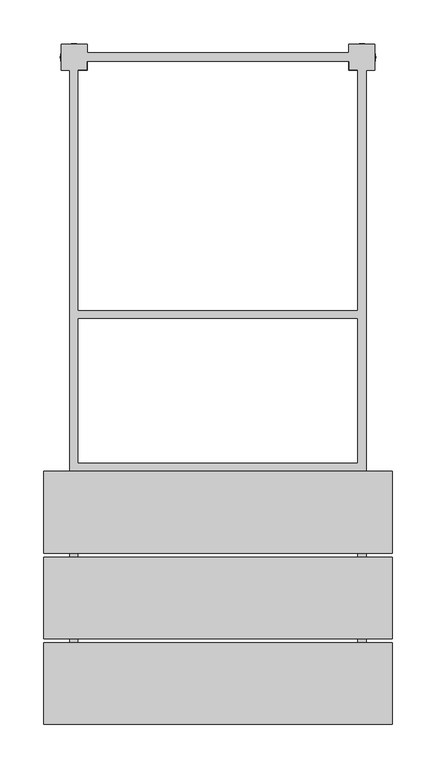
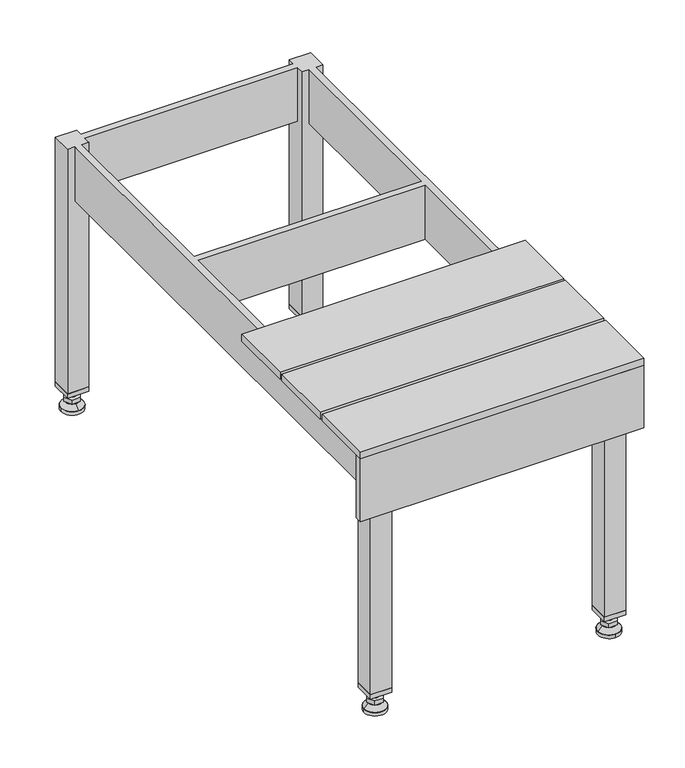
"""IFC4 building model written with IfcOpenShell, lengths in millimetres: furniture geometry."""

from ifc_helpers import new_model, si_unit, point, frame, frame_2d, origin, origin_with_axes, place, context, project, spatial, polyline, circle_curve, trimmed, segment, composite_curve, outline, extrude, faceted_brep, source, transform, mapped, element, save
from ifc_brep_helpers import plane_surface, revolved_surface, advanced_brep


def furniture_49262eaa(model_context):
    return source(origin(), model_context, "Body", "SolidModel", [
        extrude(outline(polyline([(180.0, 385.0), (180.0, 355.0), (150.0, 355.0), (150.0, 385.0), (180.0, 385.0)]), holes=[polyline([(178.0, 383.0), (152.0, 383.0), (152.0, 357.0), (178.0, 357.0), (178.0, 383.0)])]), frame((0.0, 0.0, 28.5), z_axis=(0.0, 0.0, 1.0), x_axis=(1.0, 0.0, 0.0)), (0.0, 0.0, 1.0), 6.5),
        extrude(outline(polyline([(150.0, -385.0), (150.0, -355.0), (180.0, -355.0), (180.0, -385.0), (150.0, -385.0)]), holes=[polyline([(152.0, -383.0), (178.0, -383.0), (178.0, -357.0), (152.0, -357.0), (152.0, -383.0)])]), frame((0.0, 0.0, 28.5), z_axis=(0.0, 0.0, 1.0), x_axis=(1.0, 0.0, 0.0)), (0.0, 0.0, 1.0), 6.5),
        extrude(outline(polyline([(-150.0, 385.0), (-150.0, 355.0), (-180.0, 355.0), (-180.0, 385.0), (-150.0, 385.0)]), holes=[polyline([(-152.0, 383.0), (-178.0, 383.0), (-178.0, 357.0), (-152.0, 357.0), (-152.0, 383.0)])]), frame((0.0, 0.0, 28.5), z_axis=(0.0, 0.0, 1.0), x_axis=(1.0, 0.0, 0.0)), (0.0, 0.0, 1.0), 6.5),
        extrude(outline(polyline([(-150.0, -355.0), (-150.0, -385.0), (-180.0, -385.0), (-180.0, -355.0), (-150.0, -355.0)]), holes=[polyline([(-178.0, -383.0), (-152.0, -383.0), (-152.0, -357.0), (-178.0, -357.0), (-178.0, -383.0)])]), frame((0.0, 0.0, 28.5), z_axis=(0.0, 0.0, 1.0), x_axis=(1.0, 0.0, 0.0)), (0.0, 0.0, 1.0), 6.5),
        extrude(outline(polyline([(-200.0, -198.6666667), (-200.0, -105.0), (200.0, -105.0), (200.0, -198.6666667), (-200.0, -198.6666667)])), frame((0.0, 0.0, 400.0), z_axis=(0.0, 0.0, 1.0), x_axis=(1.0, 0.0, 0.0)), (0.0, 0.0, 1.0), 10.0),
        extrude(outline(polyline([(-200.0, -296.8333333), (-200.0, -203.1666667), (200.0, -203.1666667), (200.0, -296.8333333), (-200.0, -296.8333333)])), frame((0.0, 0.0, 400.0), z_axis=(0.0, 0.0, 1.0), x_axis=(1.0, 0.0, 0.0)), (0.0, 0.0, 1.0), 10.0),
        extrude(outline(polyline([(-200.0, -395.0), (-200.0, -301.3333333), (200.0, -301.3333333), (200.0, -395.0), (-200.0, -395.0)])), frame((0.0, 0.0, 400.0), z_axis=(0.0, 0.0, 1.0), x_axis=(1.0, 0.0, 0.0)), (0.0, 0.0, 1.0), 10.0),
        extrude(outline(composite_curve([segment(trimmed(circle_curve(frame_2d((-165.0, 370.0)), 5.0), [point((-160.0, 370.0))], [point((-170.0, 370.0))], False, "CARTESIAN"), True, "CONTINUOUS"), segment(trimmed(circle_curve(frame_2d((-165.0, 370.0)), 5.0), [point((-170.0, 370.0))], [point((-160.0, 370.0))], False, "CARTESIAN"), True, "CONTINUOUS")], self_intersect=False)), frame((0.0, 0.0, 19.6), z_axis=(0.0, 0.0, 1.0), x_axis=(1.0, 0.0, 0.0)), (0.0, 0.0, 1.0), 15.4),
        extrude(outline(composite_curve([segment(trimmed(circle_curve(frame_2d((-165.0, -370.0)), 5.0), [point((-160.0, -370.0))], [point((-170.0, -370.0))], False, "CARTESIAN"), True, "CONTINUOUS"), segment(trimmed(circle_curve(frame_2d((-165.0, -370.0)), 5.0), [point((-170.0, -370.0))], [point((-160.0, -370.0))], False, "CARTESIAN"), True, "CONTINUOUS")], self_intersect=False)), frame((0.0, 0.0, 19.6), z_axis=(0.0, 0.0, 1.0), x_axis=(1.0, 0.0, 0.0)), (0.0, 0.0, 1.0), 15.4),
        extrude(outline(composite_curve([segment(trimmed(circle_curve(frame_2d((165.0, 370.0)), 5.0), [point((170.0, 370.0))], [point((160.0, 370.0))], False, "CARTESIAN"), True, "CONTINUOUS"), segment(trimmed(circle_curve(frame_2d((165.0, 370.0)), 5.0), [point((160.0, 370.0))], [point((170.0, 370.0))], False, "CARTESIAN"), True, "CONTINUOUS")], self_intersect=False)), frame((0.0, 0.0, 19.6), z_axis=(0.0, 0.0, 1.0), x_axis=(1.0, 0.0, 0.0)), (0.0, 0.0, 1.0), 15.4),
        extrude(outline(polyline([(153.4529946, 370.0), (159.2264973, 380.0), (170.7735027, 380.0), (176.5470054, 370.0), (170.7735027, 360.0), (159.2264973, 360.0), (153.4529946, 370.0)])), frame((0.0, 0.0, 13.6), z_axis=(0.0, 0.0, 1.0), x_axis=(1.0, 0.0, 0.0)), (0.0, 0.0, 1.0), 6.0),
        extrude(outline(composite_curve([segment(trimmed(circle_curve(frame_2d((165.0, -370.0)), 5.0), [point((170.0, -370.0))], [point((160.0, -370.0))], False, "CARTESIAN"), True, "CONTINUOUS"), segment(trimmed(circle_curve(frame_2d((165.0, -370.0)), 5.0), [point((160.0, -370.0))], [point((170.0, -370.0))], False, "CARTESIAN"), True, "CONTINUOUS")], self_intersect=False)), frame((0.0, 0.0, 19.6), z_axis=(0.0, 0.0, 1.0), x_axis=(1.0, 0.0, 0.0)), (0.0, 0.0, 1.0), 15.4),
        extrude(outline(polyline([(153.4529946, -370.0), (159.2264973, -360.0), (170.7735027, -360.0), (176.5470054, -370.0), (170.7735027, -380.0), (159.2264973, -380.0), (153.4529946, -370.0)])), frame((0.0, 0.0, 13.6), z_axis=(0.0, 0.0, 1.0), x_axis=(1.0, 0.0, 0.0)), (0.0, 0.0, 1.0), 6.0),
        extrude(outline(composite_curve([segment(trimmed(circle_curve(frame_2d((165.0, 370.0)), 5.0), [point((170.0, 370.0))], [point((160.0, 370.0))], False, "CARTESIAN"), True, "CONTINUOUS"), segment(trimmed(circle_curve(frame_2d((165.0, 370.0)), 5.0), [point((160.0, 370.0))], [point((170.0, 370.0))], False, "CARTESIAN"), True, "CONTINUOUS")], self_intersect=False)), frame((0.0, 0.0, 12.1), z_axis=(0.0, 0.0, 1.0), x_axis=(1.0, 0.0, 0.0)), (0.0, 0.0, 1.0), 1.5),
        extrude(outline(composite_curve([segment(trimmed(circle_curve(frame_2d((165.0, -370.0)), 5.0), [point((170.0, -370.0))], [point((160.0, -370.0))], False, "CARTESIAN"), True, "CONTINUOUS"), segment(trimmed(circle_curve(frame_2d((165.0, -370.0)), 5.0), [point((160.0, -370.0))], [point((170.0, -370.0))], False, "CARTESIAN"), True, "CONTINUOUS")], self_intersect=False)), frame((0.0, 0.0, 12.1), z_axis=(0.0, 0.0, 1.0), x_axis=(1.0, 0.0, 0.0)), (0.0, 0.0, 1.0), 1.5),
        extrude(outline(polyline([(-176.5470054, 370.0), (-170.7735027, 380.0), (-159.2264973, 380.0), (-153.4529946, 370.0), (-159.2264973, 360.0), (-170.7735027, 360.0), (-176.5470054, 370.0)])), frame((0.0, 0.0, 13.6), z_axis=(0.0, 0.0, 1.0), x_axis=(1.0, 0.0, 0.0)), (0.0, 0.0, 1.0), 6.0),
        extrude(outline(polyline([(-176.5470054, -370.0), (-170.7735027, -360.0), (-159.2264973, -360.0), (-153.4529946, -370.0), (-159.2264973, -380.0), (-170.7735027, -380.0), (-176.5470054, -370.0)])), frame((0.0, 0.0, 13.6), z_axis=(0.0, 0.0, 1.0), x_axis=(1.0, 0.0, 0.0)), (0.0, 0.0, 1.0), 6.0),
        extrude(outline(composite_curve([segment(trimmed(circle_curve(frame_2d((-165.0, 370.0)), 5.0), [point((-165.0, 375.0))], [point((-165.0, 365.0))], False, "CARTESIAN"), True, "CONTINUOUS"), segment(trimmed(circle_curve(frame_2d((-165.0, 370.0)), 5.0), [point((-165.0, 365.0))], [point((-165.0, 375.0))], False, "CARTESIAN"), True, "CONTINUOUS")], self_intersect=False)), frame((0.0, 0.0, 12.1), z_axis=(0.0, 0.0, 1.0), x_axis=(1.0, 0.0, 0.0)), (0.0, 0.0, 1.0), 1.5),
        extrude(outline(composite_curve([segment(trimmed(circle_curve(frame_2d((-165.0, -370.0)), 5.0), [point((-160.0, -370.0))], [point((-170.0, -370.0))], False, "CARTESIAN"), True, "CONTINUOUS"), segment(trimmed(circle_curve(frame_2d((-165.0, -370.0)), 5.0), [point((-170.0, -370.0))], [point((-160.0, -370.0))], False, "CARTESIAN"), True, "CONTINUOUS")], self_intersect=False)), frame((0.0, 0.0, 12.1), z_axis=(0.0, 0.0, 1.0), x_axis=(1.0, 0.0, 0.0)), (0.0, 0.0, 1.0), 1.5),
        extrude(outline(polyline([(-200.0, -395.0), (-200.0, -385.0), (200.0, -385.0), (200.0, -395.0), (-200.0, -395.0)])), frame((0.0, 0.0, 306.3333333), z_axis=(0.0, 0.0, 1.0), x_axis=(1.0, 0.0, 0.0)), (0.0, 0.0, 1.0), 93.6666667),
        extrude(outline(composite_curve([segment(trimmed(circle_curve(frame_2d((165.0, 370.0)), 15.75), [point((180.75, 370.0))], [point((149.25, 370.0))], False, "CARTESIAN"), True, "CONTINUOUS"), segment(trimmed(circle_curve(frame_2d((165.0, 370.0)), 15.75), [point((149.25, 370.0))], [point((180.75, 370.0))], False, "CARTESIAN"), True, "CONTINUOUS")], self_intersect=False)), origin_with_axes(), (0.0, 0.0, 1.0), 5.1),
        extrude(outline(composite_curve([segment(trimmed(circle_curve(frame_2d((165.0, -370.0)), 15.75), [point((165.0, -354.25))], [point((165.0, -385.75))], False, "CARTESIAN"), True, "CONTINUOUS"), segment(trimmed(circle_curve(frame_2d((165.0, -370.0)), 15.75), [point((165.0, -385.75))], [point((165.0, -354.25))], False, "CARTESIAN"), True, "CONTINUOUS")], self_intersect=False)), origin_with_axes(), (0.0, 0.0, 1.0), 5.1),
        extrude(outline(composite_curve([segment(trimmed(circle_curve(frame_2d((-165.0, -370.0)), 15.75), [point((-149.25, -370.0))], [point((-180.75, -370.0))], False, "CARTESIAN"), True, "CONTINUOUS"), segment(trimmed(circle_curve(frame_2d((-165.0, -370.0)), 15.75), [point((-180.75, -370.0))], [point((-149.25, -370.0))], False, "CARTESIAN"), True, "CONTINUOUS")], self_intersect=False)), origin_with_axes(), (0.0, 0.0, 1.0), 5.1),
        extrude(outline(composite_curve([segment(trimmed(circle_curve(frame_2d((-165.0, 370.0)), 15.75), [point((-149.25, 370.0))], [point((-180.75, 370.0))], False, "CARTESIAN"), True, "CONTINUOUS"), segment(trimmed(circle_curve(frame_2d((-165.0, 370.0)), 15.75), [point((-180.75, 370.0))], [point((-149.25, 370.0))], False, "CARTESIAN"), True, "CONTINUOUS")], self_intersect=False)), origin_with_axes(), (0.0, 0.0, 1.0), 5.1),
        advanced_brep(
        [(-165.0, 385.75, 5.1), (-165.0, 354.25, 5.1), (-165.0, 379.5, 12.1), (-165.0, 360.5, 12.1)],
        [
            (0, 1, circle_curve(frame((-165.0, 370.0, 5.1), z_axis=(0.0, 0.0, -1.0), x_axis=(0.0, 1.0, 0.0)), 15.75)),
            (1, 0, circle_curve(frame((-165.0, 370.0, 5.1), z_axis=(0.0, 0.0, -1.0), x_axis=(0.0, -1.0, 0.0)), 15.75)),
            (2, 3, circle_curve(frame((-165.0, 370.0, 12.1), z_axis=(0.0, 0.0, 1.0), x_axis=(0.0, -1.0, 0.0)), 9.5)),
            (3, 2, circle_curve(frame((-165.0, 370.0, 12.1), z_axis=(0.0, 0.0, 1.0), x_axis=(0.0, 1.0, 0.0)), 9.5)),
            (3, 1),
            (0, 2),
        ],
        [
            plane_surface(frame((-165.0, 370.0, 5.1), z_axis=(0.0, 0.0, -1.0), x_axis=(1.0, 0.0, 0.0))),
            plane_surface(frame((-165.0, 370.0, 12.1), z_axis=(0.0, 0.0, 1.0), x_axis=(1.0, 0.0, 0.0))),
            revolved_surface(polyline([(-165.0, 360.5, 12.099999999999998), (-165.0, 354.25, 5.099999999999998)]), (-165.0, 370.0, 22.74), (0.0, 0.0, -1.0)),
            revolved_surface(polyline([(-165.0, 379.5, 12.099999999999998), (-165.0, 385.75, 5.099999999999998)]), (-165.0, 370.0, 22.74), (0.0, 0.0, -1.0)),
        ],
        [
            (0, [[1, 2]]),
            (1, [[3, 4]]),
            (2, [[-4, 5, -1, 6]]),
            (3, [[-3, -6, -2, -5]]),
        ],
    ),
        advanced_brep(
        [(165.0, 385.75, 5.1), (165.0, 354.25, 5.1), (165.0, 379.5, 12.1), (165.0, 360.5, 12.1)],
        [
            (0, 1, circle_curve(frame((165.0, 370.0, 5.1), z_axis=(0.0, 0.0, -1.0), x_axis=(0.0, 1.0, 0.0)), 15.75)),
            (1, 0, circle_curve(frame((165.0, 370.0, 5.1), z_axis=(0.0, 0.0, -1.0), x_axis=(0.0, -1.0, 0.0)), 15.75)),
            (2, 3, circle_curve(frame((165.0, 370.0, 12.1), z_axis=(0.0, 0.0, 1.0), x_axis=(0.0, -1.0, 0.0)), 9.5)),
            (3, 2, circle_curve(frame((165.0, 370.0, 12.1), z_axis=(0.0, 0.0, 1.0), x_axis=(0.0, 1.0, 0.0)), 9.5)),
            (3, 1),
            (0, 2),
        ],
        [
            plane_surface(frame((165.0, 370.0, 5.1), z_axis=(0.0, 0.0, -1.0), x_axis=(1.0, 0.0, 0.0))),
            plane_surface(frame((165.0, 370.0, 12.1), z_axis=(0.0, 0.0, 1.0), x_axis=(1.0, 0.0, 0.0))),
            revolved_surface(polyline([(165.0, 360.5, 12.099999999999998), (165.0, 354.25, 5.099999999999998)]), (165.0, 370.0, 22.74), (0.0, 0.0, -1.0)),
            revolved_surface(polyline([(165.0, 379.5, 12.099999999999998), (165.0, 385.75, 5.099999999999998)]), (165.0, 370.0, 22.74), (0.0, 0.0, -1.0)),
        ],
        [
            (0, [[1, 2]]),
            (1, [[3, 4]]),
            (2, [[-4, 5, -1, 6]]),
            (3, [[-3, -6, -2, -5]]),
        ],
    ),
        advanced_brep(
        [(174.5, -370.0, 12.1), (155.5, -370.0, 12.1), (180.75, -370.0, 5.1), (149.25, -370.0, 5.1)],
        [
            (0, 1, circle_curve(frame((165.0, -370.0, 12.1), z_axis=(0.0, 0.0, 1.0), x_axis=(1.0, 0.0, 0.0)), 9.5)),
            (1, 0, circle_curve(frame((165.0, -370.0, 12.1), z_axis=(0.0, 0.0, 1.0), x_axis=(-1.0, 0.0, 0.0)), 9.5)),
            (2, 3, circle_curve(frame((165.0, -370.0, 5.1), z_axis=(0.0, 0.0, -1.0), x_axis=(-1.0, 0.0, 0.0)), 15.75)),
            (3, 2, circle_curve(frame((165.0, -370.0, 5.1), z_axis=(0.0, 0.0, -1.0), x_axis=(1.0, 0.0, 0.0)), 15.75)),
            (3, 1),
            (0, 2),
        ],
        [
            plane_surface(frame((165.0, -370.0, 12.1), z_axis=(0.0, 0.0, 1.0), x_axis=(0.0, 1.0, 0.0))),
            plane_surface(frame((165.0, -370.0, 5.1), z_axis=(0.0, 0.0, -1.0), x_axis=(0.0, 1.0, 0.0))),
            revolved_surface(polyline([(174.5, -370.0, 12.099999999999998), (180.75, -370.0, 5.099999999999998)]), (165.0, -370.0, 22.74), (0.0, 0.0, -1.0)),
            revolved_surface(polyline([(155.5, -370.0, 12.099999999999998), (149.25, -370.0, 5.099999999999998)]), (165.0, -370.0, 22.74), (0.0, 0.0, -1.0)),
        ],
        [
            (0, [[1, 2]]),
            (1, [[3, 4]]),
            (2, [[-4, 5, -1, 6]]),
            (3, [[-3, -6, -2, -5]]),
        ],
    ),
        advanced_brep(
        [(-155.5, -370.0, 12.1), (-174.5, -370.0, 12.1), (-149.25, -370.0, 5.1), (-180.75, -370.0, 5.1)],
        [
            (0, 1, circle_curve(frame((-165.0, -370.0, 12.1), z_axis=(0.0, 0.0, 1.0), x_axis=(1.0, 0.0, 0.0)), 9.5)),
            (1, 0, circle_curve(frame((-165.0, -370.0, 12.1), z_axis=(0.0, 0.0, 1.0), x_axis=(-1.0, 0.0, 0.0)), 9.5)),
            (2, 3, circle_curve(frame((-165.0, -370.0, 5.1), z_axis=(0.0, 0.0, -1.0), x_axis=(-1.0, 0.0, 0.0)), 15.75)),
            (3, 2, circle_curve(frame((-165.0, -370.0, 5.1), z_axis=(0.0, 0.0, -1.0), x_axis=(1.0, 0.0, 0.0)), 15.75)),
            (3, 1),
            (0, 2),
        ],
        [
            plane_surface(frame((-165.0, -370.0, 12.1), z_axis=(0.0, 0.0, 1.0), x_axis=(0.0, 1.0, 0.0))),
            plane_surface(frame((-165.0, -370.0, 5.1), z_axis=(0.0, 0.0, -1.0), x_axis=(0.0, 1.0, 0.0))),
            revolved_surface(polyline([(-155.5, -370.0, 12.099999999999998), (-149.25, -370.0, 5.099999999999998)]), (-165.0, -370.0, 22.74), (0.0, 0.0, -1.0)),
            revolved_surface(polyline([(-174.5, -370.0, 12.099999999999998), (-180.75, -370.0, 5.099999999999998)]), (-165.0, -370.0, 22.74), (0.0, 0.0, -1.0)),
        ],
        [
            (0, [[1, 2]]),
            (1, [[3, 4]]),
            (2, [[-4, 5, -1, 6]]),
            (3, [[-3, -6, -2, -5]]),
        ],
    ),
        faceted_brep([(-150.0, -365.0, 320.0), (150.0, -365.0, 320.0), (150.0, -375.0, 320.0), (-150.0, -375.0, 320.0), (150.0, -375.0, 400.0), (-150.0, -375.0, 400.0), (150.0, -385.0, 400.0), (180.0, -385.0, 400.0), (180.0, -355.0, 400.0), (170.0, -355.0, 400.0), (170.0, 355.0, 400.0), (180.0, 355.0, 400.0), (180.0, 385.0, 400.0), (150.0, 385.0, 400.0), (150.0, 375.0, 400.0), (-150.0, 375.0, 400.0), (-150.0, 385.0, 400.0), (-180.0, 385.0, 400.0), (-180.0, 355.0, 400.0), (-170.0, 355.0, 400.0), (-170.0, -355.0, 400.0), (-180.0, -355.0, 400.0), (-180.0, -385.0, 400.0), (-150.0, -385.0, 400.0), (150.0, -365.0, 400.0), (-150.0, -365.0, 400.0), (-150.0, -355.0, 400.0), (-160.0, -355.0, 400.0), (-160.0, -105.0, 400.0), (160.0, -105.0, 400.0), (160.0, -355.0, 400.0), (150.0, -355.0, 400.0), (-160.0, -95.0, 400.0), (-160.0, 70.0, 400.0), (160.0, 70.0, 400.0), (160.0, -95.0, 400.0), (-150.0, 365.0, 400.0), (150.0, 365.0, 400.0), (150.0, 355.0, 400.0), (160.0, 355.0, 400.0), (160.0, 80.0, 400.0), (-160.0, 80.0, 400.0), (-160.0, 355.0, 400.0), (-150.0, 355.0, 400.0), (150.0, -385.0, 35.0), (150.0, -355.0, 35.0), (180.0, -355.0, 35.0), (180.0, -385.0, 35.0), (160.0, -355.0, 320.0), (170.0, -355.0, 320.0), (-180.0, -385.0, 35.0), (-180.0, -355.0, 35.0), (-150.0, -355.0, 35.0), (-150.0, -385.0, 35.0), (-170.0, -355.0, 320.0), (-160.0, -355.0, 320.0), (-150.0, 385.0, 35.0), (-150.0, 355.0, 35.0), (-180.0, 355.0, 35.0), (-180.0, 385.0, 35.0), (-160.0, 355.0, 320.0), (-170.0, 355.0, 320.0), (-150.0, 375.0, 320.0), (-150.0, 365.0, 320.0), (150.0, 385.0, 35.0), (180.0, 385.0, 35.0), (180.0, 355.0, 35.0), (150.0, 355.0, 35.0), (150.0, 365.0, 320.0), (150.0, 375.0, 320.0), (170.0, 355.0, 320.0), (160.0, 355.0, 320.0), (-160.0, -105.0, 320.0), (-160.0, 80.0, 320.0), (-160.0, -95.0, 320.0), (-160.0, 70.0, 320.0), (160.0, 80.0, 320.0), (160.0, -105.0, 320.0), (160.0, -95.0, 320.0), (160.0, 70.0, 320.0)], [[[0, 1, 2, 3]], [[3, 2, 4, 5]], [[5, 4, 6, 7, 8, 9, 10, 11, 12, 13, 14, 15, 16, 17, 18, 19, 20, 21, 22, 23], [24, 25, 26, 27, 28, 29, 30, 31], [32, 33, 34, 35], [36, 37, 38, 39, 40, 41, 42, 43]], [[1, 0, 25, 24]], [[44, 45, 46, 47]], [[45, 44, 6, 4, 2, 1, 24, 31]], [[46, 45, 31, 30, 48, 49, 9, 8]], [[47, 46, 8, 7]], [[44, 47, 7, 6]], [[50, 51, 52, 53]], [[23, 22, 50, 53]], [[53, 52, 26, 25, 0, 3, 5, 23]], [[52, 51, 21, 20, 54, 55, 27, 26]], [[22, 21, 51, 50]], [[56, 57, 58, 59]], [[17, 16, 56, 59]], [[18, 17, 59, 58]], [[58, 57, 43, 42, 60, 61, 19, 18]], [[57, 56, 16, 15, 62, 63, 36, 43]], [[64, 65, 66, 67]], [[64, 67, 38, 37, 68, 69, 14, 13]], [[67, 66, 11, 10, 70, 71, 39, 38]], [[12, 11, 66, 65]], [[13, 12, 65, 64]], [[37, 36, 63, 68]], [[68, 63, 62, 69]], [[15, 14, 69, 62]], [[61, 54, 20, 19]], [[27, 55, 72, 28]], [[60, 42, 41, 73]], [[32, 74, 75, 33]], [[54, 61, 60, 73, 76, 71, 70, 49, 48, 77, 72, 55], [78, 79, 75, 74]], [[48, 30, 29, 77]], [[39, 71, 76, 40]], [[78, 35, 34, 79]], [[10, 9, 49, 70]], [[32, 35, 78, 74]], [[29, 28, 72, 77]], [[76, 73, 41, 40]], [[75, 79, 34, 33]]]),
    ])


if __name__ == "__main__":
    model = new_model("IFC4")
    model_context = context("Model", 3, world=origin())
    ifc_project = project(units=[si_unit("LENGTHUNIT", "METRE", prefix="MILLI")], contexts=[model_context])
    site = spatial("IfcSite", under=ifc_project)
    building = spatial("IfcBuilding", under=site)
    placement = place(None, origin())
    furniture_shape = furniture_49262eaa(model_context)
    element("IfcFurniture", 1, at=placement, inside=building, context=model_context, shape_type="MappedRepresentation", body=[
        mapped(furniture_shape, transform((0.0, 0.0, 0.0), x_axis=(1.0, 0.0, 0.0), y_axis=(0.0, 1.0, 0.0), z_axis=(0.0, 0.0, 1.0))),
    ])
    save(model, "model.ifc")
